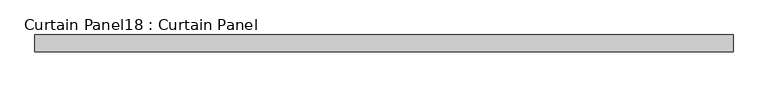
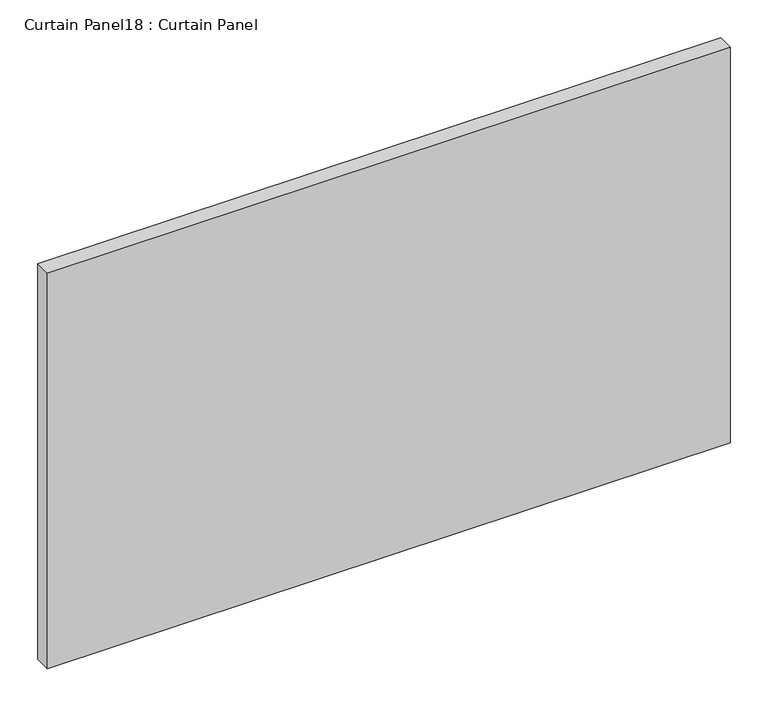
"""IFC4 building model written with IfcOpenShell, lengths in millimetres: plate geometry, Curtain Panel18 : Curtain Panel."""

from ifc_helpers import new_model, si_unit, frame, origin, place, context, project, spatial, polyline, outline, extrude, source, transform, mapped, element, save


def curtain_panel18_curtain_panel_f4448523(model_context):
    return source(origin(), model_context, "Body", "SweptSolid", [
        extrude(outline(polyline([(2482.7959131, 3568.3617926), (1437.1623895, 3568.3617926), (1437.1623895, 3593.7617926), (2482.7959131, 3593.7617926), (2482.7959131, 3568.3617926)])), frame((0.0, 0.0, 1352.1319583), z_axis=(0.0, 0.0, 1.0), x_axis=(1.0, 0.0, 0.0)), (0.0, 0.0, 1.0), 640.0694167),
    ])


if __name__ == "__main__":
    model = new_model("IFC4")
    model_context = context("Model", 3, world=origin())
    ifc_project = project(units=[si_unit("LENGTHUNIT", "METRE", prefix="MILLI")], contexts=[model_context])
    site = spatial("IfcSite", under=ifc_project)
    building = spatial("IfcBuilding", under=site)
    placement = place(None, origin())
    curtain_panel18_curtain_panel_shape = curtain_panel18_curtain_panel_f4448523(model_context)
    element("IfcPlate", 1, ObjectType="Curtain Panel18 : Curtain Panel", at=placement, inside=building, context=model_context, shape_type="MappedRepresentation", body=[
        mapped(curtain_panel18_curtain_panel_shape, transform((0.0, 0.0, 0.0), x_axis=(1.0, 0.0, 0.0), y_axis=(0.0, 1.0, 0.0), z_axis=(0.0, 0.0, 1.0))),
    ])
    save(model, "model.ifc")
